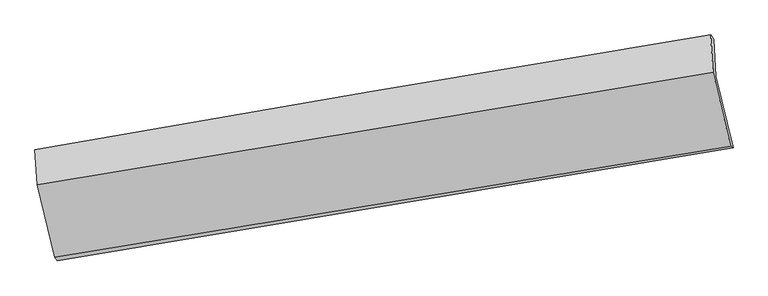
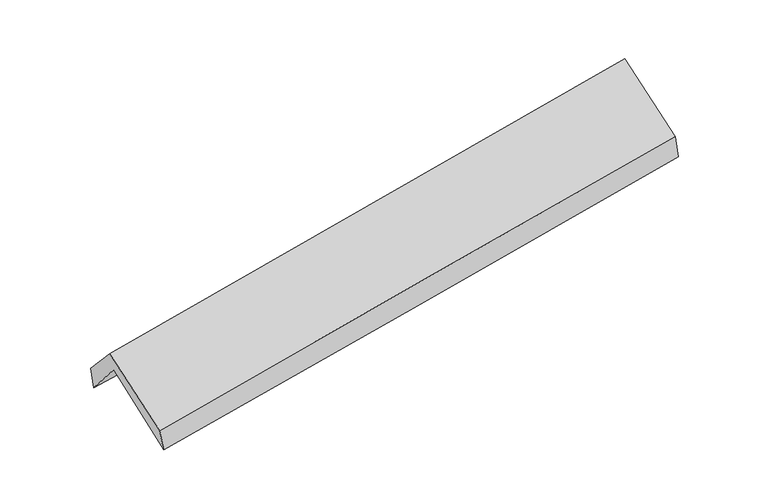
"""IFC4 building model written with IfcOpenShell, lengths in millimetres: proxy geometry."""

from ifc_helpers import new_model, si_unit, frame, origin, place, context, project, spatial, source, transform, mapped, element, save
from ifc_brep_helpers import plane_surface, spline_curve, spline_surface, advanced_brep


def generic_models_7fe7daf7(model_context):
    return source(origin(), model_context, "Body", "AdvancedBrep", [
        advanced_brep(
        [(-2259.866213, -2472.3792351, 1487.4449214), (-2383.0777709, -1971.2625752, 1920.6379428), (2313.4876046, -1189.8760599, 2352.8833908), (2434.5998694, -1688.4619512, 1918.9536368), (-2397.2034213, -1714.2259651, 1614.4193337), (2301.2121322, -935.1973578, 2030.5701566), (-2414.7025748, -1702.8343711, 1782.5369605), (2279.1756497, -904.0030129, 2216.3273599), (-2399.6324713, -1944.4053662, 2051.0089505), (2295.2868326, -1163.831005, 2505.8041354), (-2278.2852711, -2449.6165571, 1645.1922132), (2417.1504269, -1678.4874981, 2092.4680921)],
        [
            (0, 1),
            (1, 2, spline_curve(3, [(-2383.0777709, -1971.2625752, 1920.6379428), (-1600.278955268, -1836.740689242, 1984.482052715), (-817.496331723, -1704.363758125, 2052.42484525), (748.025459578, -1443.901646826, 2196.506777023), (1530.764627951, -1315.816406291, 2272.645800667), (2313.4876046, -1189.8760599, 2352.8833908)], [4, 2, 4], [0.0, 7.841071585412746, 15.682032269751435])),
            (2, 3),
            (3, 0, spline_curve(3, [(2434.5998694, -1688.4619512, 1918.9536368), (1652.586201736, -1819.996234705, 1844.175337498), (870.376628955, -1951.089357962, 1770.82737261), (-694.445392951, -2212.395131755, 1626.9910936), (-1477.057847727, -2342.607769837, 1556.502820135), (-2259.866213, -2472.3792351, 1487.4449214)], [4, 2, 4], [0.0, 7.840960684338689, 15.682032269751435])),
            (1, 4),
            (4, 5, spline_curve(3, [(-2397.2034213, -1714.2259651, 1614.4193337), (-1610.20256101, -1595.444210026, 1660.77423121), (-825.164746671, -1471.133783883, 1718.631241822), (740.973715765, -1211.457424911, 1857.34850839), (1522.074419103, -1076.091648976, 1938.208438641), (2301.2121322, -935.1973578, 2030.5701566)], [4, 2, 4], [0.0, 7.842871058616048, 15.685631190706989])),
            (5, 2),
            (4, 6),
            (6, 7, spline_curve(3, [(-2414.7025748, -1702.8343711, 1782.5369605), (-1632.707621684, -1564.010707936, 1847.945229763), (-850.550858997, -1428.02914579, 1916.798844417), (714.075220387, -1161.752106682, 2061.395741815), (1496.544532714, -1031.456549499, 2137.138927001), (2279.1756497, -904.0030129, 2216.3273599)], [4, 2, 4], [0.0, 7.843122079785122, 15.68613322949479])),
            (7, 5),
            (6, 8),
            (8, 9, spline_curve(3, [(-2399.6324713, -1944.4053662, 2051.0089505), (-1617.116180978, -1814.558111953, 2126.752947158), (-834.611993863, -1684.586160333, 2202.52481247), (730.361107199, -1424.394703304, 2354.123208048), (1512.830021257, -1294.175200856, 2429.949737792), (2295.2868326, -1163.831005, 2505.8041354)], [4, 2, 4], [0.0, 7.8430151167123565, 15.685919304862104])),
            (9, 7),
            (8, 10),
            (10, 11, spline_curve(3, [(-2278.2852711, -2449.6165571, 1645.1922132), (-1496.123264908, -2319.475261919, 1721.183353628), (-713.753184897, -2190.143410686, 1796.452172432), (851.392053415, -1933.100414085, 1945.544111411), (1634.167206417, -1805.389245418, 2019.367252468), (2417.1504269, -1678.4874981, 2092.4680921)], [4, 2, 4], [0.0, 7.841551256869339, 15.682991605880334])),
            (11, 9),
            (10, 0),
            (3, 11),
        ],
        [
            spline_surface(3, 3, [[(-2259.866213, -2472.3792351, 1487.4449214), (-1477.057847661, -2342.607769828, 1556.50282023), (-694.445392958, -2212.395131744, 1626.991093633), (870.376628962, -1951.089357973, 1770.827372577), (1652.586201736, -1819.99623474, 1844.175337607), (2434.5998694, -1688.4619512, 1918.9536368)], [(-2300.936732297, -2305.34034846, 1631.842595206), (-1518.131550172, -2173.985409628, 1699.162564356), (-735.462372542, -2043.051340486, 1768.802344147), (829.592905867, -1782.026787612, 1912.720507418), (1611.979010508, -1651.936291949, 1986.998825229), (2394.229114487, -1522.266654097, 2063.596888109)], [(-2342.007251603, -2138.30146184, 1776.240268994), (-1559.205252694, -2005.363049449, 1841.822308464), (-776.479352181, -1873.707549273, 1910.61359466), (788.809182716, -1612.964217296, 2054.613642259), (1571.37181922, -1483.876349169, 2129.822312923), (2353.858359513, -1356.071357003, 2208.240139491)], [(-2383.0777709, -1971.2625752, 1920.6379428), (-1600.278955205, -1836.740689249, 1984.482052591), (-817.496331766, -1704.363758015, 2052.424845174), (748.025459621, -1443.901646935, 2196.506777099), (1530.764627992, -1315.816406378, 2272.645800544), (2313.4876046, -1189.8760599, 2352.8833908)]], [4, 4], [4, 2, 4], [0.0, 2.2101793882777376], [0.0, 7.841071585412746, 15.682032269751435]),
            spline_surface(3, 3, [[(-2383.0777709, -1971.2625752, 1920.6379428), (-1600.278955205, -1836.740689249, 1984.482052591), (-817.496331766, -1704.363758015, 2052.424845174), (748.025459621, -1443.901646935, 2196.506777099), (1530.764627992, -1315.816406378, 2272.645800544), (2313.4876046, -1189.8760599, 2352.8833908)], [(-2387.786321032, -1885.583705181, 1818.565073111), (-1603.586823849, -1756.308529549, 1876.579445506), (-820.052470057, -1626.620433292, 1941.160310763), (745.674878305, -1366.420239629, 2083.454020823), (1527.867891656, -1235.908153867, 2161.166679922), (2309.395780465, -1104.983159196, 2245.445646095)], [(-2392.494871168, -1799.904835119, 1716.492203389), (-1606.894692496, -1675.876369806, 1768.676838388), (-822.608608317, -1548.877108535, 1829.895776352), (743.32429702, -1288.938832288, 1970.401264547), (1524.971155327, -1155.999901368, 2049.687559216), (2305.303956335, -1020.090258504, 2138.007901305)], [(-2397.2034213, -1714.2259651, 1614.4193337), (-1610.202561139, -1595.444210106, 1660.774231303), (-825.164746609, -1471.133783812, 1718.631241941), (740.973715703, -1211.457424982, 1857.348508271), (1522.074418991, -1076.091648857, 1938.208438593), (2301.2121322, -935.1973578, 2030.5701566)]], [4, 4], [4, 2, 4], [0.0, 1.342674728820047], [0.0, 7.842871058616048, 15.685631190706989]),
            spline_surface(3, 3, [[(-2397.2034213, -1714.2259651, 1614.4193337), (-1610.202561139, -1595.444210106, 1660.774231303), (-825.164746609, -1471.133783812, 1718.631241941), (740.973715703, -1211.457424982, 1857.348508271), (1522.074418991, -1076.091648857, 1938.208438593), (2301.2121322, -935.1973578, 2030.5701566)], [(-2403.03647248, -1710.428767086, 1670.458542616), (-1617.704247987, -1584.966376019, 1723.164564134), (-833.62678409, -1456.765571116, 1784.68710944), (732.007550587, -1194.888985561, 1925.364252754), (1513.564456837, -1061.213282391, 2004.518601358), (2293.866638008, -924.799242826, 2092.489224368)], [(-2408.86952362, -1706.631569114, 1726.497751584), (-1625.205934794, -1574.488541974, 1785.554897016), (-842.088821527, -1442.397358435, 1850.742976976), (723.041385514, -1178.320546155, 1993.379997273), (1505.054494761, -1046.334915946, 2070.828764119), (2286.521143892, -914.401127874, 2154.408292132)], [(-2414.7025748, -1702.8343711, 1782.5369605), (-1632.707621642, -1564.010707886, 1847.945229847), (-850.550859008, -1428.029145739, 1916.798844476), (714.075220398, -1161.752106734, 2061.395741756), (1496.544532607, -1031.45654948, 2137.138926884), (2279.1756497, -904.0030129, 2216.3273599)]], [4, 4], [4, 2, 4], [0.0, 0.6825488681716056], [0.0, 7.843122079785122, 15.68613322949479]),
            spline_surface(3, 3, [[(-2414.7025748, -1702.8343711, 1782.5369605), (-1632.707621642, -1564.010707886, 1847.945229847), (-850.550859008, -1428.029145739, 1916.798844476), (714.075220398, -1161.752106734, 2061.395741756), (1496.544532607, -1031.45654948, 2137.138926884), (2279.1756497, -904.0030129, 2216.3273599)], [(-2409.679206948, -1783.358036154, 1872.027623849), (-1627.510474761, -1647.526509249, 1940.881135627), (-845.237903946, -1513.548150654, 2012.040833801), (719.503849313, -1249.299638893, 2158.9715639), (1501.973028833, -1119.029433306, 2234.742530525), (2284.546044031, -990.612343609, 2312.819618376)], [(-2404.655839152, -1863.881701146, 1961.518287151), (-1622.313327937, -1731.04231055, 2033.817041359), (-839.924948877, -1599.067155539, 2107.282823065), (724.932478235, -1336.847171023, 2256.547385983), (1507.401524967, -1206.602317104, 2332.346134238), (2289.916438269, -1077.221674291, 2409.311876924)], [(-2399.6324713, -1944.4053662, 2051.0089505), (-1617.116181057, -1814.558111913, 2126.752947138), (-834.611993815, -1684.586160454, 2202.524812391), (730.36110715, -1424.394703183, 2354.123208127), (1512.830021193, -1294.17520093, 2429.949737878), (2295.2868326, -1163.831005, 2505.8041354)]], [4, 4], [4, 2, 4], [0.0, 1.276173807421787], [0.0, 7.8430151167123565, 15.685919304862104]),
            spline_surface(3, 3, [[(-2399.6324713, -1944.4053662, 2051.0089505), (-1617.116181057, -1814.558111913, 2126.752947138), (-834.611993815, -1684.586160454, 2202.524812391), (730.36110715, -1424.394703183, 2354.123208127), (1512.830021193, -1294.17520093, 2429.949737878), (2295.2868326, -1163.831005, 2505.8041354)], [(-2359.18340456, -2112.809096478, 1915.736704724), (-1576.785208991, -1982.863828581, 1991.563082642), (-794.325724188, -1853.105243882, 2067.167265678), (770.704755967, -1593.963273446, 2217.930175902), (1553.275749563, -1464.579882462, 2293.088909429), (2335.908030682, -1335.383169362, 2368.025454305)], [(-2318.73433784, -2281.212826822, 1780.464458976), (-1536.454236946, -2151.169545315, 1856.373218172), (-754.039454636, -2021.624327339, 1931.809719036), (811.04840471, -1763.53184374, 2081.737143746), (1593.721477986, -1634.984564007, 2156.228080964), (2376.529228818, -1506.935333738, 2230.246773195)], [(-2278.2852711, -2449.6165571, 1645.1922132), (-1496.123264881, -2319.475261983, 1721.183353676), (-713.753185009, -2190.143410767, 1796.452172323), (851.392053527, -1933.100414004, 1945.54411152), (1634.167206356, -1805.38924554, 2019.367252514), (2417.1504269, -1678.4874981, 2092.4680921)]], [4, 4], [4, 2, 4], [0.0, 2.1706278932662046], [0.0, 7.841551256869339, 15.682991605880334]),
            spline_surface(3, 3, [[(-2278.2852711, -2449.6165571, 1645.1922132), (-1496.123264881, -2319.475261983, 1721.183353676), (-713.753185009, -2190.143410767, 1796.452172323), (851.392053527, -1933.100414004, 1945.54411152), (1634.167206356, -1805.38924554, 2019.367252514), (2417.1504269, -1678.4874981, 2092.4680921)], [(-2272.145585084, -2457.204116441, 1592.609782593), (-1489.768125824, -2327.186097939, 1666.28984252), (-707.317254341, -2197.560651101, 1739.965146108), (857.720245323, -1939.096728669, 1887.305198554), (1640.306871477, -1810.258241949, 1960.969947559), (2422.966907728, -1681.81231581, 2034.629940347)], [(-2266.005899016, -2464.791675759, 1540.027352007), (-1483.412986717, -2334.896933872, 1611.396331385), (-700.881323626, -2204.97789141, 1683.478119848), (864.048437166, -1945.093043308, 1829.066285543), (1646.446536615, -1815.12723833, 1902.572642563), (2428.783388572, -1685.13713349, 1976.791788553)], [(-2259.866213, -2472.3792351, 1487.4449214), (-1477.057847661, -2342.607769828, 1556.50282023), (-694.445392958, -2212.395131744, 1626.991093633), (870.376628962, -1951.089357973, 1770.827372577), (1652.586201736, -1819.99623474, 1844.175337607), (2434.5998694, -1688.4619512, 1918.9536368)]], [4, 4], [4, 2, 4], [0.0, 0.5719021089223193], [0.0, 7.8398517303268855, 15.67959257683287]),
            plane_surface(frame((2340.1520859, -1259.9761475, 2186.1677953), z_axis=(0.9829149867274667, 0.16077680564823713, 0.08960439516058041), x_axis=(0.18154883273674, -0.7667202510988159, -0.6157759965173181))),
            plane_surface(frame((-2355.4612871, -2042.4540116, 1750.2067203), z_axis=(-0.9824501781661524, -0.16268745662732675, -0.09123836296989923), x_axis=(-0.11480203050922395, 0.14187488035007098, 0.9832049695341314))),
        ],
        [
            (0, [[1, 2, 3, 4]]),
            (1, [[5, 6, 7, -2]]),
            (2, [[8, 9, 10, -6]]),
            (3, [[11, 12, 13, -9]]),
            (4, [[14, 15, 16, -12]]),
            (5, [[17, -4, 18, -15]]),
            (6, [[-16, -18, -3, -7, -10, -13]]),
            (7, [[-17, -14, -11, -8, -5, -1]]),
        ],
    ),
    ])


if __name__ == "__main__":
    model = new_model("IFC4")
    model_context = context("Model", 3, world=origin())
    ifc_project = project(units=[si_unit("LENGTHUNIT", "METRE", prefix="MILLI")], contexts=[model_context])
    site = spatial("IfcSite", under=ifc_project)
    building = spatial("IfcBuilding", under=site)
    placement = place(None, origin())
    generic_models_shape = generic_models_7fe7daf7(model_context)
    element("IfcBuildingElementProxy", 1, Name="Generic Models", at=placement, inside=building, context=model_context, shape_type="MappedRepresentation", body=[
        mapped(generic_models_shape, transform((0.0, 0.0, 0.0), x_axis=(1.0, 0.0, 0.0), y_axis=(0.0, 1.0, 0.0), z_axis=(0.0, 0.0, 1.0))),
    ])
    save(model, "model.ifc")
